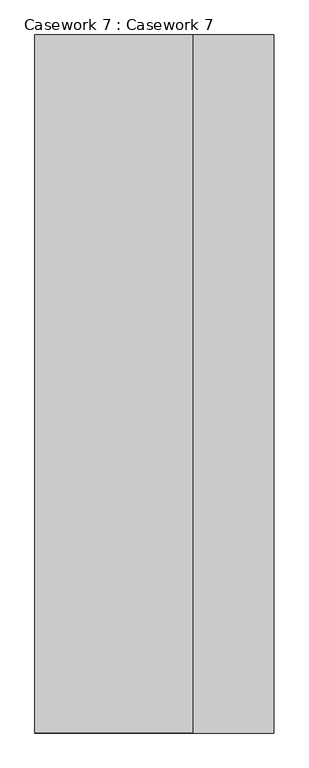
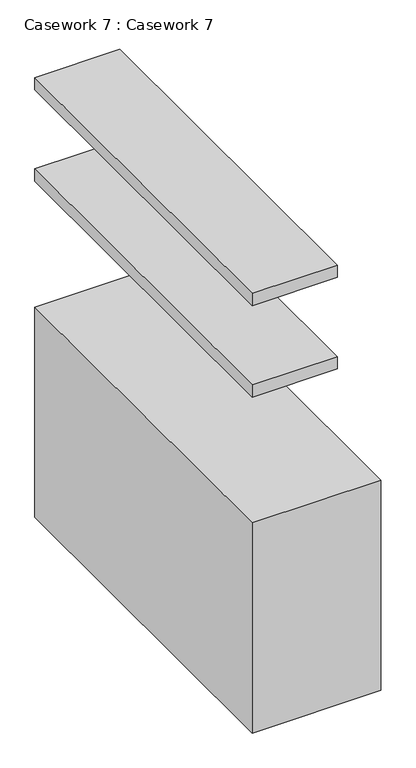
"""IFC4 building model written with IfcOpenShell, lengths in millimetres: furniture geometry, Casework 7 : Casework 7."""

from ifc_helpers import new_model, si_unit, frame, origin, place, context, project, spatial, polyline, outline, extrude, source, transform, mapped, element, save


def casework_7_casework_7_f3543d76(model_context):
    return source(origin(), model_context, "Body", "SweptSolid", [
        extrude(outline(polyline([(-24229.8478773, -2807.1005997), (-23899.6478773, -2807.1005997), (-23899.6478773, -4267.8447554), (-24229.8478773, -4267.8447554), (-24229.8478773, -2807.1005997)])), frame((0.0, 0.0, -4899.2439568), z_axis=(0.0, 0.0, 1.0), x_axis=(1.0, 0.0, 0.0)), (0.0, 0.0, 1.0), 50.8),
        extrude(outline(polyline([(-24229.8478773, -2807.1005997), (-23899.6478773, -2807.1005997), (-23899.6478773, -4267.8447554), (-24229.8478773, -4267.8447554), (-24229.8478773, -2807.1005997)])), frame((0.0, 0.0, -5274.8353144), z_axis=(0.0, 0.0, 1.0), x_axis=(1.0, 0.0, 0.0)), (0.0, 0.0, 1.0), 50.8),
        extrude(outline(polyline([(-24229.8478773, -2807.1005997), (-23729.8568426, -2807.1005997), (-23729.8568426, -4267.8447554), (-24229.8478773, -4267.8447554), (-24229.8478773, -2807.1005997)])), frame((0.0, 0.0, -6654.8), z_axis=(0.0, 0.0, 1.0), x_axis=(1.0, 0.0, 0.0)), (0.0, 0.0, 1.0), 863.7648534),
    ])


if __name__ == "__main__":
    model = new_model("IFC4")
    model_context = context("Model", 3, world=origin())
    ifc_project = project(units=[si_unit("LENGTHUNIT", "METRE", prefix="MILLI")], contexts=[model_context])
    site = spatial("IfcSite", under=ifc_project)
    building = spatial("IfcBuilding", under=site)
    placement = place(None, origin())
    casework_7_casework_7_shape = casework_7_casework_7_f3543d76(model_context)
    element("IfcFurniture", 1, ObjectType="Casework 7 : Casework 7", at=placement, inside=building, context=model_context, shape_type="MappedRepresentation", body=[
        mapped(casework_7_casework_7_shape, transform((0.0, 0.0, 0.0), x_axis=(1.0, 0.0, 0.0), y_axis=(0.0, 1.0, 0.0), z_axis=(0.0, 0.0, 1.0))),
    ])
    save(model, "model.ifc")
